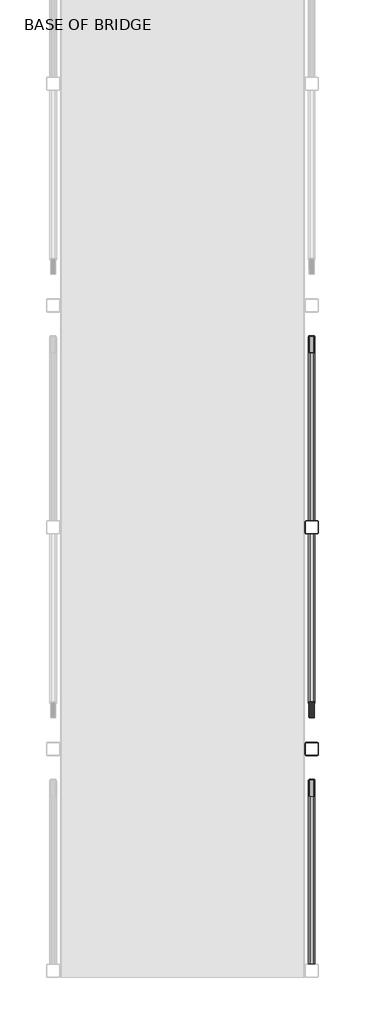
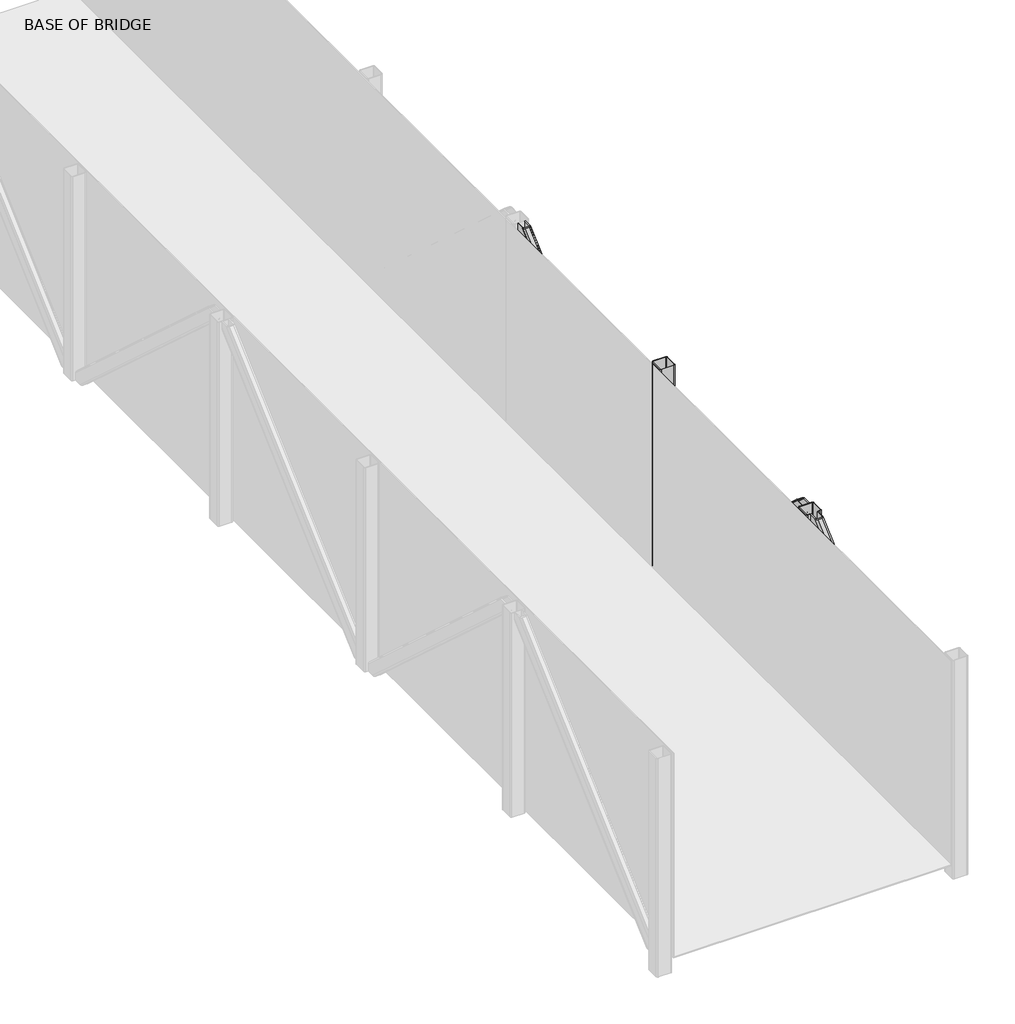
# One storey, part 5 of 8: 5 columns.
"""IFC4 building model written with IfcOpenShell, lengths in millimetres."""

from ifc_helpers import new_model, si_unit, point, frame, frame_2d, origin, place, context, project, spatial, polyline, circle_curve, ellipse_curve, trimmed, segment, composite_curve, outline, extrude, element, save
from ifc_brep_helpers import plane_surface, cylinder_surface, revolved_surface, advanced_brep

model = new_model("IFC4")

# Units and contexts
model_context = context("Model", 3, world=origin())
ifc_project = project(units=[si_unit("LENGTHUNIT", "METRE", prefix="MILLI")], contexts=[model_context])

# Site, building, storey
site = spatial("IfcSite", under=ifc_project)
building = spatial("IfcBuilding", under=site)
storey = spatial("IfcBuildingStorey", under=building, Name="BASE OF BRIDGE", Elevation=15383.0)

# Columns
placement = place(None, origin())
element("IfcColumn", 1, ObjectType="Rectangular Hollow Sections-Column : RHS100x100x5.0", at=placement, inside=storey, context=model_context, shape_type="SweptSolid", body=[
    extrude(outline(composite_curve([segment(trimmed(circle_curve(frame_2d((1015.0, 4052.4479556)), 10.0), [point((1015.0, 4062.4479556))], [point((1025.0, 4052.4479556))], False, "CARTESIAN"), True, "CONTINUOUS"), segment(polyline([(1025.0, 4052.4479556), (1025.0, 3972.4479556)]), True, "CONTINUOUS"), segment(trimmed(circle_curve(frame_2d((1015.0, 3972.4479556)), 10.0), [point((1025.0, 3972.4479556))], [point((1015.0, 3962.4479556))], False, "CARTESIAN"), True, "CONTINUOUS"), segment(polyline([(1015.0, 3962.4479556), (935.0, 3962.4479556)]), True, "CONTINUOUS"), segment(trimmed(circle_curve(frame_2d((935.0, 3972.4479556)), 10.0), [point((935.0, 3962.4479556))], [point((925.0, 3972.4479556))], False, "CARTESIAN"), True, "CONTINUOUS"), segment(polyline([(925.0, 3972.4479556), (925.0, 4052.4479556)]), True, "CONTINUOUS"), segment(trimmed(circle_curve(frame_2d((935.0, 4052.4479556)), 10.0), [point((925.0, 4052.4479556))], [point((935.0, 4062.4479556))], False, "CARTESIAN"), True, "CONTINUOUS"), segment(polyline([(935.0, 4062.4479556), (1015.0, 4062.4479556)]), True, "CONTINUOUS")], self_intersect=False), holes=[composite_curve([segment(polyline([(1015.0, 4057.4479556), (935.0, 4057.4479556)]), True, "CONTINUOUS"), segment(trimmed(circle_curve(frame_2d((935.0, 4052.4479556)), 5.0), [point((935.0, 4057.4479556))], [point((930.0, 4052.4479556))], True, "CARTESIAN"), True, "CONTINUOUS"), segment(polyline([(930.0, 4052.4479556), (930.0, 3972.4479556)]), True, "CONTINUOUS"), segment(trimmed(circle_curve(frame_2d((935.0, 3972.4479556)), 5.0), [point((930.0, 3972.4479556))], [point((935.0, 3967.4479556))], True, "CARTESIAN"), True, "CONTINUOUS"), segment(polyline([(935.0, 3967.4479556), (1015.0, 3967.4479556)]), True, "CONTINUOUS"), segment(trimmed(circle_curve(frame_2d((1015.0, 3972.4479556)), 5.0), [point((1015.0, 3967.4479556))], [point((1020.0, 3972.4479556))], True, "CARTESIAN"), True, "CONTINUOUS"), segment(polyline([(1020.0, 3972.4479556), (1020.0, 4052.4479556)]), True, "CONTINUOUS"), segment(trimmed(circle_curve(frame_2d((1015.0, 4052.4479556)), 5.0), [point((1020.0, 4052.4479556))], [point((1015.0, 4057.4479556))], True, "CARTESIAN"), True, "CONTINUOUS")], self_intersect=False)]), frame((0.0, 0.0, 15383.0), z_axis=(0.0, 0.0, 1.0), x_axis=(1.0, 0.0, 0.0)), (0.0, 0.0, 1.0), 1421.0),
])
element("IfcColumn", 2, ObjectType="Rectangular Hollow Sections-Column : RHS100x100x5.0", at=placement, inside=storey, context=model_context, shape_type="AdvancedBrep", body=[
    advanced_brep(
    [(1015.0, 2392.4479556, 15383.0), (1025.0, 2382.4479556, 15383.0), (1025.0, 2302.4479556, 15383.0), (1015.0, 2292.4479556, 15383.0), (935.0, 2292.4479556, 15383.0), (925.0, 2302.4479556, 15383.0), (925.0, 2382.4479556, 15383.0), (935.0, 2392.4479556, 15383.0), (1015.0, 2387.4479556, 15383.0), (935.0, 2387.4479556, 15383.0), (930.0, 2382.4479556, 15383.0), (930.0, 2302.4479556, 15383.0), (935.0, 2297.4479556, 15383.0), (1015.0, 2297.4479556, 15383.0), (1020.0, 2302.4479556, 15383.0), (1020.0, 2382.4479556, 15383.0), (1015.0, 2392.4479556, 16804.0), (1025.0, 2382.4479556, 16804.0), (1025.0, 2302.4479556, 16804.0), (1015.0, 2292.4479556, 16804.0), (1000.0, 2292.4479556, 16804.0), (1000.0, 2292.4479556, 16756.7928239), (990.0, 2292.4479556, 16743.3050593), (960.0, 2292.4479556, 16743.3050593), (950.0, 2292.4479556, 16756.7928239), (950.0, 2292.4479556, 16804.0), (935.0, 2292.4479556, 16804.0), (925.0, 2302.4479556, 16804.0), (925.0, 2382.4479556, 16804.0), (935.0, 2392.4479556, 16804.0), (1015.0, 2387.4479556, 16804.0), (935.0, 2387.4479556, 16804.0), (930.0, 2382.4479556, 16804.0), (930.0, 2302.4479556, 16804.0), (935.0, 2297.4479556, 16804.0), (950.0, 2297.4479556, 16804.0), (950.0, 2297.4479556, 16761.3183016), (960.0, 2297.4479556, 16747.830537), (990.0, 2297.4479556, 16747.830537), (1000.0, 2297.4479556, 16761.3183016), (1000.0, 2297.4479556, 16804.0), (1015.0, 2297.4479556, 16804.0), (1020.0, 2302.4479556, 16804.0), (1020.0, 2382.4479556, 16804.0)],
    [
        (0, 1, circle_curve(frame((1015.0, 2382.4479556, 15383.0), z_axis=(0.0, 0.0, -1.0), x_axis=(1.0, 0.0, 0.0)), 10.0)),
        (1, 2),
        (2, 3, circle_curve(frame((1015.0, 2302.4479556, 15383.0), z_axis=(0.0, 0.0, -1.0), x_axis=(1.0, 0.0, 0.0)), 10.0)),
        (3, 4),
        (4, 5, circle_curve(frame((935.0, 2302.4479556, 15383.0), z_axis=(0.0, 0.0, -1.0), x_axis=(1.0, 0.0, 0.0)), 10.0)),
        (5, 6),
        (6, 7, circle_curve(frame((935.0, 2382.4479556, 15383.0), z_axis=(0.0, 0.0, -1.0), x_axis=(1.0, 0.0, 0.0)), 10.0)),
        (7, 0),
        (8, 9),
        (9, 10, circle_curve(frame((935.0, 2382.4479556, 15383.0), z_axis=(0.0, 0.0, 1.0), x_axis=(1.0, 0.0, 0.0)), 5.0)),
        (10, 11),
        (11, 12, circle_curve(frame((935.0, 2302.4479556, 15383.0), z_axis=(0.0, 0.0, 1.0), x_axis=(1.0, 0.0, 0.0)), 5.0)),
        (12, 13),
        (13, 14, circle_curve(frame((1015.0, 2302.4479556, 15383.0), z_axis=(0.0, 0.0, 1.0), x_axis=(1.0, 0.0, 0.0)), 5.0)),
        (14, 15),
        (15, 8, circle_curve(frame((1015.0, 2382.4479556, 15383.0), z_axis=(0.0, 0.0, 1.0), x_axis=(1.0, 0.0, 0.0)), 5.0)),
        (0, 16),
        (16, 17, circle_curve(frame((1015.0, 2382.4479556, 16804.0), z_axis=(0.0, 0.0, -1.0), x_axis=(1.0, 0.0, 0.0)), 10.0)),
        (17, 1),
        (17, 18),
        (18, 2),
        (18, 19, circle_curve(frame((1015.0, 2302.4479556, 16804.0), z_axis=(0.0, 0.0, -1.0), x_axis=(1.0, 0.0, 0.0)), 10.0)),
        (19, 3),
        (19, 20),
        (20, 21),
        (21, 22, ellipse_curve(frame((990.0, 2292.4479556, 16756.7928239), z_axis=(0.0, 1.0, 0.0), x_axis=(-4.16305638800616e-12, 0.0, -1.0)), 13.4877646, 10.0)),
        (22, 23),
        (23, 24, ellipse_curve(frame((960.0, 2292.4479556, 16756.7928239), z_axis=(0.0, 1.0, 0.0), x_axis=(-4.16305638800616e-12, 0.0, -1.0)), 13.4877646, 10.0)),
        (24, 25),
        (25, 26),
        (26, 4),
        (26, 27, circle_curve(frame((935.0, 2302.4479556, 16804.0), z_axis=(0.0, 0.0, -1.0), x_axis=(1.0, 0.0, 0.0)), 10.0)),
        (27, 5),
        (27, 28),
        (28, 6),
        (28, 29, circle_curve(frame((935.0, 2382.4479556, 16804.0), z_axis=(0.0, 0.0, -1.0), x_axis=(1.0, 0.0, 0.0)), 10.0)),
        (29, 7),
        (29, 16),
        (8, 30),
        (30, 31),
        (31, 9),
        (31, 32, circle_curve(frame((935.0, 2382.4479556, 16804.0), z_axis=(0.0, 0.0, 1.0), x_axis=(1.0, 0.0, 0.0)), 5.0)),
        (32, 10),
        (32, 33),
        (33, 11),
        (33, 34, circle_curve(frame((935.0, 2302.4479556, 16804.0), z_axis=(0.0, 0.0, 1.0), x_axis=(1.0, 0.0, 0.0)), 5.0)),
        (34, 12),
        (34, 35),
        (35, 36),
        (36, 37, ellipse_curve(frame((960.0, 2297.4479556, 16761.3183016), z_axis=(0.0, -1.0, 0.0), x_axis=(-4.163173225111481e-12, 0.0, -1.0)), 13.4877646, 10.0)),
        (37, 38),
        (38, 39, ellipse_curve(frame((990.0, 2297.4479556, 16761.3183016), z_axis=(0.0, -1.0, 0.0), x_axis=(-4.163173225111481e-12, 0.0, -1.0)), 13.4877646, 10.0)),
        (39, 40),
        (40, 41),
        (41, 13),
        (41, 42, circle_curve(frame((1015.0, 2302.4479556, 16804.0), z_axis=(0.0, 0.0, 1.0), x_axis=(1.0, 0.0, 0.0)), 5.0)),
        (42, 14),
        (42, 43),
        (43, 15),
        (43, 30, circle_curve(frame((1015.0, 2382.4479556, 16804.0), z_axis=(0.0, 0.0, 1.0), x_axis=(1.0, 0.0, 0.0)), 5.0)),
        (25, 35),
        (40, 20),
        (24, 36),
        (23, 37),
        (22, 38),
        (21, 39),
    ],
    [
        plane_surface(frame((935.0, 2392.4479556, 15383.0), z_axis=(0.0, 0.0, -1.0), x_axis=(1.0, 0.0, 0.0))),
        cylinder_surface(frame((1015.0, 2382.4479556, 15383.0), z_axis=(0.0, 0.0, 1.0), x_axis=(1.0, 0.0, 0.0)), 10.0),
        plane_surface(frame((1025.0, 2302.4479556, 16804.0), z_axis=(1.0, 0.0, 0.0), x_axis=(0.0, 0.0, -1.0))),
        cylinder_surface(frame((1015.0, 2302.4479556, 15383.0), z_axis=(0.0, 0.0, 1.0), x_axis=(1.0, 0.0, 0.0)), 10.0),
        plane_surface(frame((935.0, 2292.4479556, 16804.0), z_axis=(0.0, -1.0, 0.0), x_axis=(0.0, 0.0, -1.0))),
        cylinder_surface(frame((935.0, 2302.4479556, 15383.0), z_axis=(0.0, 0.0, 1.0), x_axis=(1.0, 0.0, 0.0)), 10.0),
        plane_surface(frame((925.0, 2382.4479556, 16804.0), z_axis=(-1.0, 0.0, 0.0), x_axis=(0.0, 0.0, -1.0))),
        cylinder_surface(frame((935.0, 2382.4479556, 15383.0), z_axis=(0.0, 0.0, 1.0), x_axis=(1.0, 0.0, 0.0)), 10.0),
        plane_surface(frame((1015.0, 2392.4479556, 16804.0), z_axis=(0.0, 1.0, 0.0), x_axis=(0.0, 0.0, -1.0))),
        plane_surface(frame((935.0, 2387.4479556, 16804.0), z_axis=(0.0, -1.0, 0.0), x_axis=(0.0, 0.0, -1.0))),
        revolved_surface(polyline([(940.0, 2382.4479556, 15383.0), (940.0, 2382.4479556, 16804.0)]), (935.0, 2382.4479556, 15383.0), (0.0, 0.0, -1.0)),
        plane_surface(frame((930.0, 2302.4479556, 16804.0), z_axis=(1.0, 0.0, 0.0), x_axis=(0.0, 0.0, -1.0))),
        revolved_surface(polyline([(940.0, 2302.4479556, 15383.0), (940.0, 2302.4479556, 16804.0)]), (935.0, 2302.4479556, 15383.0), (0.0, 0.0, -1.0)),
        plane_surface(frame((1015.0, 2297.4479556, 16804.0), z_axis=(0.0, 1.0, 0.0), x_axis=(0.0, 0.0, -1.0))),
        revolved_surface(polyline([(1020.0, 2302.4479556, 15383.0), (1020.0, 2302.4479556, 16804.0)]), (1015.0, 2302.4479556, 15383.0), (0.0, 0.0, -1.0)),
        plane_surface(frame((1020.0, 2382.4479556, 16804.0), z_axis=(-1.0, 0.0, 0.0), x_axis=(0.0, 0.0, -1.0))),
        revolved_surface(polyline([(1020.0, 2382.4479556, 15383.0), (1020.0, 2382.4479556, 16804.0)]), (1015.0, 2382.4479556, 15383.0), (0.0, 0.0, -1.0)),
        plane_surface(frame((935.0, 2392.4479556, 16804.0), z_axis=(0.0, 0.0, 1.0), x_axis=(-1.0, 0.0, 0.0))),
        plane_surface(frame((950.0, 585.2093689, 15305.9931432), z_axis=(1.0, -3.7737177602529684e-12, 0.0), x_axis=(2.7936715881916727e-12, 0.7414127022916974, 0.6710493311825315))),
        revolved_surface(polyline([(950.0000000028441, 2285.737462302029, 16750.71918630765), (950.0000000029135, 2304.158448922141, 16767.391939165725)]), (960.0, 1530.9346822, 16067.5505554), (-2.7936162048467107e-12, -0.7414127022916945, -0.6710493311825344)),
        plane_surface(frame((960.0, 638.8933154, 15246.680127), z_axis=(-2.5251339884918886e-12, -0.6710493311825316, 0.7414127022916973), x_axis=(2.7936715881916727e-12, 0.7414127022916973, 0.6710493311825316))),
        revolved_surface(polyline([(980.0000000028441, 2285.737462302029, 16750.71918630765), (980.0000000029135, 2304.158448922141, 16767.391939165725)]), (990.0, 1530.9346822, 16067.5505554), (-2.7936162048467107e-12, -0.7414127022916945, -0.6710493311825344)),
        plane_surface(frame((1000.0, 632.1828221, 15254.094254), z_axis=(-1.0, 3.772420157997785e-12, 0.0), x_axis=(2.7936715881916723e-12, 0.7414127022916974, 0.6710493311825315))),
    ],
    [
        (0, [[1, 2, 3, 4, 5, 6, 7, 8], [9, 10, 11, 12, 13, 14, 15, 16]]),
        (1, [[-1, 17, 18, 19]]),
        (2, [[-2, -19, 20, 21]]),
        (3, [[-3, -21, 22, 23]]),
        (4, [[-4, -23, 24, 25, 26, 27, 28, 29, 30, 31]]),
        (5, [[-5, -31, 32, 33]]),
        (6, [[-6, -33, 34, 35]]),
        (7, [[-7, -35, 36, 37]]),
        (8, [[-8, -37, 38, -17]]),
        (9, [[-9, 39, 40, 41]]),
        (10, [[-10, -41, 42, 43]]),
        (11, [[-11, -43, 44, 45]]),
        (12, [[-12, -45, 46, 47]]),
        (13, [[-13, -47, 48, 49, 50, 51, 52, 53, 54, 55]]),
        (14, [[-14, -55, 56, 57]]),
        (15, [[-15, -57, 58, 59]]),
        (16, [[-16, -59, 60, -39]]),
        (17, [[-18, -38, -36, -34, -32, -30, 61, -48, -46, -44, -42, -40, -60, -58, -56, -54, 62, -24, -22, -20]]),
        (18, [[63, -49, -61, -29]]),
        (19, [[-63, -28, 64, -50]]),
        (20, [[-64, -27, 65, -51]]),
        (21, [[-65, -26, 66, -52]]),
        (22, [[-66, -25, -62, -53]]),
    ],
),
])
element("IfcColumn", 3, ObjectType="Rectangular Hollow Sections-Column : RHS90x50x5.0", at=placement, inside=storey, context=model_context, shape_type="AdvancedBrep", body=[
    advanced_brep(
    [(1000.0, 3910.2908364, 15383.0), (990.0, 3895.3888023, 15383.0), (960.0, 3895.3888023, 15383.0), (950.0, 3910.2908364, 15383.0), (950.0, 3962.4479556, 15383.0), (955.0, 3962.4479556, 15383.0), (955.0, 3910.2908364, 15383.0), (960.0, 3902.8398193, 15383.0), (990.0, 3902.8398193, 15383.0), (995.0, 3910.2908364, 15383.0), (995.0, 3962.4479556, 15383.0), (1000.0, 3962.4479556, 15383.0), (1000.0, 2444.6050749, 16804.0), (990.0, 2459.507109, 16804.0), (960.0, 2459.507109, 16804.0), (950.0, 2444.6050749, 16804.0), (950.0, 2392.4479556, 16804.0), (955.0, 2392.4479556, 16804.0), (955.0, 2444.6050749, 16804.0), (960.0, 2452.0560919, 16804.0), (990.0, 2452.0560919, 16804.0), (995.0, 2444.6050749, 16804.0), (995.0, 2392.4479556, 16804.0), (1000.0, 2392.4479556, 16804.0), (1000.0, 3962.4479556, 15430.2071761), (990.0, 3962.4479556, 15443.6949407), (1000.0, 2392.4479556, 16756.7928239), (990.0, 2392.4479556, 16743.3050593), (960.0, 2392.4479556, 16743.3050593), (950.0, 2392.4479556, 16756.7928239), (950.0, 3962.4479556, 15430.2071761), (960.0, 3962.4479556, 15443.6949407), (960.0, 3962.4479556, 15436.9510584), (990.0, 3962.4479556, 15436.9510584), (955.0, 3962.4479556, 15430.2071761), (955.0, 2392.4479556, 16756.7928239), (960.0, 2392.4479556, 16750.0489416), (990.0, 2392.4479556, 16750.0489416), (995.0, 2392.4479556, 16756.7928239), (995.0, 3962.4479556, 15430.2071761)],
    [
        (0, 1, ellipse_curve(frame((990.0, 3910.2908364, 15383.0), z_axis=(0.0, 0.0, -1.0), x_axis=(3.772274552175083e-12, -1.0, 0.0)), 14.9020341, 10.0)),
        (1, 2),
        (2, 3, ellipse_curve(frame((960.0, 3910.2908364, 15383.0), z_axis=(0.0, 0.0, -1.0), x_axis=(3.772274552175083e-12, -1.0, 0.0)), 14.9020341, 10.0)),
        (3, 4),
        (4, 5),
        (5, 6),
        (6, 7, ellipse_curve(frame((960.0, 3910.2908364, 15383.0), z_axis=(0.0, 0.0, 1.0), x_axis=(-3.772274552175083e-12, 1.0, 0.0)), 7.451017, 5.0)),
        (7, 8),
        (8, 9, ellipse_curve(frame((990.0, 3910.2908364, 15383.0), z_axis=(0.0, 0.0, 1.0), x_axis=(-3.772274552175083e-12, 1.0, 0.0)), 7.451017, 5.0)),
        (9, 10),
        (10, 11),
        (11, 0),
        (12, 13, ellipse_curve(frame((990.0, 2444.6050749, 16804.0), z_axis=(0.0, 0.0, 1.0), x_axis=(3.772274552175083e-12, -1.0, 0.0)), 14.9020341, 10.0)),
        (13, 14),
        (14, 15, ellipse_curve(frame((960.0, 2444.6050749, 16804.0), z_axis=(0.0, 0.0, 1.0), x_axis=(3.772274552175083e-12, -1.0, 0.0)), 14.9020341, 10.0)),
        (15, 16),
        (16, 17),
        (17, 18),
        (18, 19, ellipse_curve(frame((960.0, 2444.6050749, 16804.0), z_axis=(0.0, 0.0, -1.0), x_axis=(-3.772274552175083e-12, 1.0, 0.0)), 7.451017, 5.0)),
        (19, 20),
        (20, 21, ellipse_curve(frame((990.0, 2444.6050749, 16804.0), z_axis=(0.0, 0.0, -1.0), x_axis=(-3.772274552175083e-12, 1.0, 0.0)), 7.451017, 5.0)),
        (21, 22),
        (22, 23),
        (23, 12),
        (12, 24),
        (24, 25, ellipse_curve(frame((990.0, 3962.4479556, 15430.2071761), z_axis=(0.0, -1.0, 0.0), x_axis=(4.167819174465103e-12, 0.0, 1.0)), 13.4877646, 10.0)),
        (25, 13),
        (23, 26),
        (26, 0),
        (11, 24),
        (26, 27, ellipse_curve(frame((990.0, 2392.4479556, 16756.7928239), z_axis=(0.0, 1.0, 0.0), x_axis=(4.171557961835349e-12, 0.0, 1.0)), 13.4877646, 10.0)),
        (27, 1),
        (27, 28),
        (28, 2),
        (28, 29, ellipse_curve(frame((960.0, 2392.4479556, 16756.7928239), z_axis=(0.0, 1.0, 0.0), x_axis=(4.171557961835349e-12, 0.0, 1.0)), 13.4877646, 10.0)),
        (29, 3),
        (15, 30),
        (30, 4),
        (29, 16),
        (14, 31),
        (31, 30, ellipse_curve(frame((960.0, 3962.4479556, 15430.2071761), z_axis=(0.0, -1.0, 0.0), x_axis=(4.167819174465103e-12, 0.0, 1.0)), 13.4877646, 10.0)),
        (25, 31),
        (19, 32),
        (32, 33),
        (33, 20),
        (18, 34),
        (34, 32, ellipse_curve(frame((960.0, 3962.4479556, 15430.2071761), z_axis=(0.0, 1.0, 0.0), x_axis=(-4.167819174465103e-12, 0.0, -1.0)), 6.7438823, 5.0)),
        (17, 35),
        (35, 6),
        (5, 34),
        (35, 36, ellipse_curve(frame((960.0, 2392.4479556, 16756.7928239), z_axis=(0.0, -1.0, 0.0), x_axis=(-4.171557961835349e-12, 0.0, -1.0)), 6.7438823, 5.0)),
        (36, 7),
        (36, 37),
        (37, 8),
        (37, 38, ellipse_curve(frame((990.0, 2392.4479556, 16756.7928239), z_axis=(0.0, -1.0, 0.0), x_axis=(-4.171557961835349e-12, 0.0, -1.0)), 6.7438823, 5.0)),
        (38, 9),
        (21, 39),
        (39, 10),
        (38, 22),
        (33, 39, ellipse_curve(frame((990.0, 3962.4479556, 15430.2071761), z_axis=(0.0, 1.0, 0.0), x_axis=(-4.167819174465103e-12, 0.0, -1.0)), 6.7438823, 5.0)),
    ],
    [
        plane_surface(frame((975.0, 3962.4479556, 15383.0), z_axis=(0.0, 0.0, -1.0), x_axis=(1.0, 0.0, 0.0))),
        plane_surface(frame((975.0, 2392.4479556, 16804.0), z_axis=(0.0, 0.0, 1.0), x_axis=(-1.0, 0.0, 0.0))),
        cylinder_surface(frame((990.0, 4099.6865423, 15305.9931432), z_axis=(2.7968122695144243e-12, -0.7414127022917221, 0.6710493311825043), x_axis=(1.0, 3.7722745521750826e-12, 0.0)), 10.0),
        plane_surface(frame((1000.0, 2255.2093689, 16881.0068568), z_axis=(1.0000000000000002, 3.772274552175083e-12, 0.0), x_axis=(-2.7968122695144243e-12, 0.7414127022917221, -0.6710493311825043))),
        cylinder_surface(frame((990.0, 4052.7130892, 15254.094254), z_axis=(2.7968122695144243e-12, -0.7414127022917221, 0.6710493311825043), x_axis=(1.0, 3.7722745521750826e-12, 0.0)), 10.0),
        plane_surface(frame((960.0, 2248.4988756, 16873.5927298), z_axis=(2.5313823152738696e-12, -0.6710493311825043, -0.7414127022917221), x_axis=(-2.7968122695144243e-12, 0.7414127022917221, -0.6710493311825043))),
        cylinder_surface(frame((960.0, 4052.7130892, 15254.094254), z_axis=(2.7968122695144243e-12, -0.7414127022917221, 0.6710493311825043), x_axis=(1.0, 3.7722745521750826e-12, 0.0)), 10.0),
        plane_surface(frame((950.0, 2302.1828221, 16932.905746), z_axis=(-1.0000000000000002, -3.772274552175083e-12, 0.0), x_axis=(-2.7968122695144243e-12, 0.7414127022917221, -0.6710493311825043))),
        cylinder_surface(frame((960.0, 4099.6865423, 15305.9931432), z_axis=(2.7968122695144243e-12, -0.7414127022917221, 0.6710493311825043), x_axis=(1.0, 3.7722745521750826e-12, 0.0)), 10.0),
        plane_surface(frame((990.0, 2308.8933154, 16940.319873), z_axis=(-2.5313823152738696e-12, 0.6710493311825043, 0.7414127022917221), x_axis=(-2.7968122695144243e-12, 0.7414127022917221, -0.6710493311825043))),
        plane_surface(frame((960.0, 2305.5380688, 16936.6128095), z_axis=(2.5313823152738696e-12, -0.6710493311825043, -0.7414127022917221), x_axis=(-2.7968122695144243e-12, 0.7414127022917221, -0.6710493311825043))),
        revolved_surface(polyline([(965.000000000505, 3965.8032022710336, 15427.170357328145), (965.0000000062589, 2440.509304538612, 16807.707063492322)]), (960.0, 4099.6865423, 15305.9931432), (-2.7968122695144243e-12, 0.7414127022917221, -0.6710493311825043)),
        plane_surface(frame((955.0, 2255.2093689, 16881.0068568), z_axis=(1.0000000000000002, 3.772274552175083e-12, 0.0), x_axis=(-2.7968122695144243e-12, 0.7414127022917221, -0.6710493311825043))),
        revolved_surface(polyline([(965.0000000005218, 3914.3866067640197, 15379.292936510543), (965.0000000062756, 2389.092708976629, 16759.829642724475)]), (960.0, 4052.7130892, 15254.094254), (-2.7968122695144243e-12, 0.7414127022917221, -0.6710493311825043)),
        plane_surface(frame((990.0, 2251.8541223, 16877.2997933), z_axis=(-2.5313823152738696e-12, 0.6710493311825043, 0.7414127022917221), x_axis=(-2.7968122695144243e-12, 0.7414127022917221, -0.6710493311825043))),
        revolved_surface(polyline([(995.0000000005218, 3914.3866067640197, 15379.292936510543), (995.0000000062756, 2389.092708976629, 16759.829642724475)]), (990.0, 4052.7130892, 15254.094254), (-2.7968122695144243e-12, 0.7414127022917221, -0.6710493311825043)),
        plane_surface(frame((995.0, 2302.1828221, 16932.905746), z_axis=(-1.0000000000000002, -3.772274552175083e-12, 0.0), x_axis=(-2.7968122695144243e-12, 0.7414127022917221, -0.6710493311825043))),
        revolved_surface(polyline([(995.000000000505, 3965.8032022710336, 15427.170357328145), (995.0000000062589, 2440.509304538612, 16807.707063492322)]), (990.0, 4099.6865423, 15305.9931432), (-2.7968122695144243e-12, 0.7414127022917221, -0.6710493311825043)),
        plane_surface(frame((935.0, 2392.4479556, 15383.0), z_axis=(0.0, -1.0, 0.0), x_axis=(0.0, 0.0, 1.0))),
        plane_surface(frame((1015.0, 3962.4479556, 15383.0), z_axis=(0.0, 1.0, 0.0), x_axis=(0.0, 0.0, 1.0))),
    ],
    [
        (0, [[1, 2, 3, 4, 5, 6, 7, 8, 9, 10, 11, 12]]),
        (1, [[13, 14, 15, 16, 17, 18, 19, 20, 21, 22, 23, 24]]),
        (2, [[-13, 25, 26, 27]]),
        (3, [[-24, 28, 29, -12, 30, -25]]),
        (4, [[-1, -29, 31, 32]]),
        (5, [[-2, -32, 33, 34]]),
        (6, [[-3, -34, 35, 36]]),
        (7, [[-16, 37, 38, -4, -36, 39]]),
        (8, [[-15, 40, 41, -37]]),
        (9, [[-14, -27, 42, -40]]),
        (10, [[-20, 43, 44, 45]]),
        (11, [[-19, 46, 47, -43]]),
        (12, [[-18, 48, 49, -6, 50, -46]]),
        (13, [[-7, -49, 51, 52]]),
        (14, [[-8, -52, 53, 54]]),
        (15, [[-9, -54, 55, 56]]),
        (16, [[-22, 57, 58, -10, -56, 59]]),
        (17, [[-21, -45, 60, -57]]),
        (18, [[-17, -39, -35, -33, -31, -28, -23, -59, -55, -53, -51, -48]]),
        (19, [[-11, -58, -60, -44, -47, -50, -5, -38, -41, -42, -26, -30]]),
    ],
),
])
element("IfcColumn", 4, ObjectType="Rectangular Hollow Sections-Column : RHS90x50x5.0", at=placement, inside=storey, context=model_context, shape_type="AdvancedBrep", body=[
    advanced_brep(
    [(950.0, 4114.6050749, 15383.0), (960.0, 4129.507109, 15383.0), (990.0, 4129.507109, 15383.0), (1000.0, 4114.6050749, 15383.0), (1000.0, 4062.4479556, 15383.0), (995.0, 4062.4479556, 15383.0), (995.0, 4114.6050749, 15383.0), (990.0, 4122.0560919, 15383.0), (960.0, 4122.0560919, 15383.0), (955.0, 4114.6050749, 15383.0), (955.0, 4062.4479556, 15383.0), (950.0, 4062.4479556, 15383.0), (950.0, 5580.2908364, 16804.0), (960.0, 5565.3888023, 16804.0), (990.0, 5565.3888023, 16804.0), (1000.0, 5580.2908364, 16804.0), (1000.0, 5632.4479556, 16804.0), (995.0, 5632.4479556, 16804.0), (995.0, 5580.2908364, 16804.0), (990.0, 5572.8398193, 16804.0), (960.0, 5572.8398193, 16804.0), (955.0, 5580.2908364, 16804.0), (955.0, 5632.4479556, 16804.0), (950.0, 5632.4479556, 16804.0), (950.0, 4062.4479556, 15430.2071761), (960.0, 4062.4479556, 15443.6949407), (950.0, 5632.4479556, 16756.7928239), (960.0, 5632.4479556, 16743.3050593), (990.0, 5632.4479556, 16743.3050593), (1000.0, 5632.4479556, 16756.7928239), (1000.0, 4062.4479556, 15430.2071761), (990.0, 4062.4479556, 15443.6949407), (990.0, 4062.4479556, 15436.9510584), (960.0, 4062.4479556, 15436.9510584), (995.0, 4062.4479556, 15430.2071761), (995.0, 5632.4479556, 16756.7928239), (990.0, 5632.4479556, 16750.0489416), (960.0, 5632.4479556, 16750.0489416), (955.0, 5632.4479556, 16756.7928239), (955.0, 4062.4479556, 15430.2071761)],
    [
        (0, 1, ellipse_curve(frame((960.0, 4114.6050749, 15383.0), z_axis=(0.0, 0.0, -1.0), x_axis=(3.769084577351514e-12, 1.0, 0.0)), 14.9020341, 10.0)),
        (1, 2),
        (2, 3, ellipse_curve(frame((990.0, 4114.6050749, 15383.0), z_axis=(0.0, 0.0, -1.0), x_axis=(3.769084577351514e-12, 1.0, 0.0)), 14.9020341, 10.0)),
        (3, 4),
        (4, 5),
        (5, 6),
        (6, 7, ellipse_curve(frame((990.0, 4114.6050749, 15383.0), z_axis=(0.0, 0.0, 1.0), x_axis=(-3.769084577351514e-12, -1.0, 0.0)), 7.451017, 5.0)),
        (7, 8),
        (8, 9, ellipse_curve(frame((960.0, 4114.6050749, 15383.0), z_axis=(0.0, 0.0, 1.0), x_axis=(-3.769084577351514e-12, -1.0, 0.0)), 7.451017, 5.0)),
        (9, 10),
        (10, 11),
        (11, 0),
        (12, 13, ellipse_curve(frame((960.0, 5580.2908364, 16804.0), z_axis=(0.0, 0.0, 1.0), x_axis=(3.769084577351514e-12, 1.0, 0.0)), 14.9020341, 10.0)),
        (13, 14),
        (14, 15, ellipse_curve(frame((990.0, 5580.2908364, 16804.0), z_axis=(0.0, 0.0, 1.0), x_axis=(3.769084577351514e-12, 1.0, 0.0)), 14.9020341, 10.0)),
        (15, 16),
        (16, 17),
        (17, 18),
        (18, 19, ellipse_curve(frame((990.0, 5580.2908364, 16804.0), z_axis=(0.0, 0.0, -1.0), x_axis=(-3.769084577351514e-12, -1.0, 0.0)), 7.451017, 5.0)),
        (19, 20),
        (20, 21, ellipse_curve(frame((960.0, 5580.2908364, 16804.0), z_axis=(0.0, 0.0, -1.0), x_axis=(-3.769084577351514e-12, -1.0, 0.0)), 7.451017, 5.0)),
        (21, 22),
        (22, 23),
        (23, 12),
        (12, 24),
        (24, 25, ellipse_curve(frame((960.0, 4062.4479556, 15430.2071761), z_axis=(0.0, 1.0, 0.0), x_axis=(4.164294712485508e-12, 0.0, 1.0)), 13.4877646, 10.0)),
        (25, 13),
        (11, 24),
        (23, 26),
        (26, 0),
        (26, 27, ellipse_curve(frame((960.0, 5632.4479556, 16756.7928239), z_axis=(0.0, -1.0, 0.0), x_axis=(4.149339563004521e-12, 0.0, 1.0)), 13.4877646, 10.0)),
        (27, 1),
        (27, 28),
        (28, 2),
        (28, 29, ellipse_curve(frame((990.0, 5632.4479556, 16756.7928239), z_axis=(0.0, -1.0, 0.0), x_axis=(4.149339563004521e-12, 0.0, 1.0)), 13.4877646, 10.0)),
        (29, 3),
        (29, 16),
        (15, 30),
        (30, 4),
        (14, 31),
        (31, 30, ellipse_curve(frame((990.0, 4062.4479556, 15430.2071761), z_axis=(0.0, 1.0, 0.0), x_axis=(4.164294712485508e-12, 0.0, 1.0)), 13.4877646, 10.0)),
        (25, 31),
        (19, 32),
        (32, 33),
        (33, 20),
        (18, 34),
        (34, 32, ellipse_curve(frame((990.0, 4062.4479556, 15430.2071761), z_axis=(0.0, -1.0, 0.0), x_axis=(-4.164294712485508e-12, 0.0, -1.0)), 6.7438823, 5.0)),
        (5, 34),
        (17, 35),
        (35, 6),
        (35, 36, ellipse_curve(frame((990.0, 5632.4479556, 16756.7928239), z_axis=(0.0, 1.0, 0.0), x_axis=(-4.149339563004521e-12, 0.0, -1.0)), 6.7438823, 5.0)),
        (36, 7),
        (36, 37),
        (37, 8),
        (37, 38, ellipse_curve(frame((960.0, 5632.4479556, 16756.7928239), z_axis=(0.0, 1.0, 0.0), x_axis=(-4.149339563004521e-12, 0.0, -1.0)), 6.7438823, 5.0)),
        (38, 9),
        (38, 22),
        (21, 39),
        (39, 10),
        (33, 39, ellipse_curve(frame((960.0, 4062.4479556, 15430.2071761), z_axis=(0.0, -1.0, 0.0), x_axis=(-4.164294712485508e-12, 0.0, -1.0)), 6.7438823, 5.0)),
    ],
    [
        plane_surface(frame((975.0, 4062.4479556, 15383.0), z_axis=(0.0, 0.0, -1.0), x_axis=(1.0, 0.0, 0.0))),
        plane_surface(frame((975.0, 5632.4479556, 16804.0), z_axis=(0.0, 0.0, 1.0), x_axis=(-1.0, 0.0, 0.0))),
        cylinder_surface(frame((960.0, 3925.2093689, 15305.9931432), z_axis=(2.794447181660239e-12, 0.7414127022917221, 0.6710493311825043), x_axis=(-1.0, 3.7690051618302026e-12, 0.0)), 10.0),
        plane_surface(frame((950.0, 5769.6865423, 16881.0068568), z_axis=(-1.0000000000000002, 3.7690051618302026e-12, 0.0), x_axis=(-2.794447181660239e-12, -0.7414127022917221, -0.6710493311825043))),
        cylinder_surface(frame((960.0, 3972.1828221, 15254.094254), z_axis=(2.794447181660239e-12, 0.7414127022917221, 0.6710493311825043), x_axis=(-1.0, 3.7690051618302026e-12, 0.0)), 10.0),
        plane_surface(frame((990.0, 5776.3970356, 16873.5927298), z_axis=(2.52912333952155e-12, 0.6710493311825043, -0.7414127022917221), x_axis=(-2.794447181660239e-12, -0.7414127022917221, -0.6710493311825043))),
        cylinder_surface(frame((990.0, 3972.1828221, 15254.094254), z_axis=(2.794447181660239e-12, 0.7414127022917221, 0.6710493311825043), x_axis=(-1.0, 3.7690051618302026e-12, 0.0)), 10.0),
        plane_surface(frame((1000.0, 5722.7130892, 16932.905746), z_axis=(1.0000000000000002, -3.7690051618302026e-12, 0.0), x_axis=(-2.794447181660239e-12, -0.7414127022917221, -0.6710493311825043))),
        cylinder_surface(frame((990.0, 3925.2093689, 15305.9931432), z_axis=(2.794447181660239e-12, 0.7414127022917221, 0.6710493311825043), x_axis=(-1.0, 3.7690051618302026e-12, 0.0)), 10.0),
        plane_surface(frame((960.0, 5716.0025958, 16940.319873), z_axis=(-2.52912333952155e-12, -0.6710493311825043, 0.7414127022917221), x_axis=(-2.794447181660239e-12, -0.7414127022917221, -0.6710493311825043))),
        plane_surface(frame((990.0, 5719.3578425, 16936.6128095), z_axis=(2.52912333952155e-12, 0.6710493311825043, -0.7414127022917221), x_axis=(-2.794447181660239e-12, -0.7414127022917221, -0.6710493311825043))),
        revolved_surface(polyline([(985.0000000005047, 4059.0927089290044, 15427.170357328145), (985.0000000062536, 5584.386606716395, 16807.707063542075)]), (990.0, 3925.2093689, 15305.9931432), (-2.794447181660239e-12, -0.7414127022917221, -0.6710493311825043)),
        plane_surface(frame((995.0, 5769.6865423, 16881.0068568), z_axis=(-1.0000000000000002, 3.7690051618302026e-12, 0.0), x_axis=(-2.794447181660239e-12, -0.7414127022917221, -0.6710493311825043))),
        revolved_surface(polyline([(985.0000000005214, 4110.509304536017, 15379.292936510543), (985.0000000062703, 5635.803202268439, 16759.829642674722)]), (990.0, 3972.1828221, 15254.094254), (-2.794447181660239e-12, -0.7414127022917221, -0.6710493311825043)),
        plane_surface(frame((960.0, 5773.041789, 16877.2997933), z_axis=(-2.52912333952155e-12, -0.6710493311825043, 0.7414127022917221), x_axis=(-2.794447181660239e-12, -0.7414127022917221, -0.6710493311825043))),
        revolved_surface(polyline([(955.0000000005214, 4110.509304536017, 15379.292936510543), (955.0000000062703, 5635.803202268439, 16759.829642674722)]), (960.0, 3972.1828221, 15254.094254), (-2.794447181660239e-12, -0.7414127022917221, -0.6710493311825043)),
        plane_surface(frame((955.0, 5722.7130892, 16932.905746), z_axis=(1.0000000000000002, -3.7690051618302026e-12, 0.0), x_axis=(-2.794447181660239e-12, -0.7414127022917221, -0.6710493311825043))),
        revolved_surface(polyline([(955.0000000005047, 4059.0927089290044, 15427.170357328145), (955.0000000062536, 5584.386606716395, 16807.707063542075)]), (960.0, 3925.2093689, 15305.9931432), (-2.794447181660239e-12, -0.7414127022917221, -0.6710493311825043)),
        plane_surface(frame((935.0, 4062.4479556, 15383.0), z_axis=(0.0, -1.0, 0.0), x_axis=(0.0, 0.0, 1.0))),
        plane_surface(frame((1015.0, 5632.4479556, 15383.0), z_axis=(0.0, 1.0, 0.0), x_axis=(0.0, 0.0, 1.0))),
    ],
    [
        (0, [[1, 2, 3, 4, 5, 6, 7, 8, 9, 10, 11, 12]]),
        (1, [[13, 14, 15, 16, 17, 18, 19, 20, 21, 22, 23, 24]]),
        (2, [[-13, 25, 26, 27]]),
        (3, [[-12, 28, -25, -24, 29, 30]]),
        (4, [[-1, -30, 31, 32]]),
        (5, [[-2, -32, 33, 34]]),
        (6, [[-3, -34, 35, 36]]),
        (7, [[-4, -36, 37, -16, 38, 39]]),
        (8, [[-15, 40, 41, -38]]),
        (9, [[-14, -27, 42, -40]]),
        (10, [[-20, 43, 44, 45]]),
        (11, [[-19, 46, 47, -43]]),
        (12, [[-6, 48, -46, -18, 49, 50]]),
        (13, [[-7, -50, 51, 52]]),
        (14, [[-8, -52, 53, 54]]),
        (15, [[-9, -54, 55, 56]]),
        (16, [[-10, -56, 57, -22, 58, 59]]),
        (17, [[-21, -45, 60, -58]]),
        (18, [[-11, -59, -60, -44, -47, -48, -5, -39, -41, -42, -26, -28]]),
        (19, [[-17, -37, -35, -33, -31, -29, -23, -57, -55, -53, -51, -49]]),
    ],
),
])
element("IfcColumn", 5, ObjectType="Rectangular Hollow Sections-Column : RHS90x50x5.0", at=placement, inside=storey, context=model_context, shape_type="AdvancedBrep", body=[
    advanced_brep(
    [(950.0, 774.6050749, 15383.0), (960.0, 789.507109, 15383.0), (990.0, 789.507109, 15383.0), (1000.0, 774.6050749, 15383.0), (1000.0, 722.4479556, 15383.0), (995.0, 722.4479556, 15383.0), (995.0, 774.6050749, 15383.0), (990.0, 782.0560919, 15383.0), (960.0, 782.0560919, 15383.0), (955.0, 774.6050749, 15383.0), (955.0, 722.4479556, 15383.0), (950.0, 722.4479556, 15383.0), (950.0, 2240.2908364, 16804.0), (960.0, 2225.3888023, 16804.0), (990.0, 2225.3888023, 16804.0), (1000.0, 2240.2908364, 16804.0), (1000.0, 2292.4479556, 16804.0), (995.0, 2292.4479556, 16804.0), (995.0, 2240.2908364, 16804.0), (990.0, 2232.8398193, 16804.0), (960.0, 2232.8398193, 16804.0), (955.0, 2240.2908364, 16804.0), (955.0, 2292.4479556, 16804.0), (950.0, 2292.4479556, 16804.0), (950.0, 722.4479556, 15430.2071761), (960.0, 722.4479556, 15443.6949407), (950.0, 2292.4479556, 16756.7928239), (960.0, 2292.4479556, 16743.3050593), (990.0, 2292.4479556, 16743.3050593), (1000.0, 2292.4479556, 16756.7928239), (1000.0, 722.4479556, 15430.2071761), (990.0, 722.4479556, 15443.6949407), (990.0, 722.4479556, 15436.9510584), (960.0, 722.4479556, 15436.9510584), (995.0, 722.4479556, 15430.2071761), (995.0, 2292.4479556, 16756.7928239), (990.0, 2292.4479556, 16750.0489416), (960.0, 2292.4479556, 16750.0489416), (955.0, 2292.4479556, 16756.7928239), (955.0, 722.4479556, 15430.2071761)],
    [
        (0, 1, ellipse_curve(frame((960.0, 774.6050749, 15383.0), z_axis=(0.0, 0.0, -1.0), x_axis=(3.7679637753867556e-12, 0.9999999999999999, 0.0)), 14.9020341, 10.0)),
        (1, 2),
        (2, 3, ellipse_curve(frame((990.0, 774.6050749, 15383.0), z_axis=(0.0, 0.0, -1.0), x_axis=(3.7679637753867556e-12, 0.9999999999999999, 0.0)), 14.9020341, 10.0)),
        (3, 4),
        (4, 5),
        (5, 6),
        (6, 7, ellipse_curve(frame((990.0, 774.6050749, 15383.0), z_axis=(0.0, 0.0, 1.0), x_axis=(-3.7679637753867556e-12, -0.9999999999999999, 0.0)), 7.451017, 5.0)),
        (7, 8),
        (8, 9, ellipse_curve(frame((960.0, 774.6050749, 15383.0), z_axis=(0.0, 0.0, 1.0), x_axis=(-3.7679637753867556e-12, -0.9999999999999999, 0.0)), 7.451017, 5.0)),
        (9, 10),
        (10, 11),
        (11, 0),
        (12, 13, ellipse_curve(frame((960.0, 2240.2908364, 16804.0), z_axis=(0.0, 0.0, 1.0), x_axis=(3.7679637753867556e-12, 0.9999999999999999, 0.0)), 14.9020341, 10.0)),
        (13, 14),
        (14, 15, ellipse_curve(frame((990.0, 2240.2908364, 16804.0), z_axis=(0.0, 0.0, 1.0), x_axis=(3.7679637753867556e-12, 0.9999999999999999, 0.0)), 14.9020341, 10.0)),
        (15, 16),
        (16, 17),
        (17, 18),
        (18, 19, ellipse_curve(frame((990.0, 2240.2908364, 16804.0), z_axis=(0.0, 0.0, -1.0), x_axis=(-3.7679637753867556e-12, -0.9999999999999999, 0.0)), 7.451017, 5.0)),
        (19, 20),
        (20, 21, ellipse_curve(frame((960.0, 2240.2908364, 16804.0), z_axis=(0.0, 0.0, -1.0), x_axis=(-3.7679637753867556e-12, -0.9999999999999999, 0.0)), 7.451017, 5.0)),
        (21, 22),
        (22, 23),
        (23, 12),
        (12, 24),
        (24, 25, ellipse_curve(frame((960.0, 722.4479556, 15430.2071761), z_axis=(0.0, 1.0, 0.0), x_axis=(4.16305638800619e-12, 0.0, 1.0)), 13.4877646, 10.0)),
        (25, 13),
        (23, 26),
        (26, 0),
        (11, 24),
        (26, 27, ellipse_curve(frame((960.0, 2292.4479556, 16756.7928239), z_axis=(0.0, -1.0, 0.0), x_axis=(4.16305638800619e-12, 0.0, 1.0)), 13.4877646, 10.0)),
        (27, 1),
        (27, 28),
        (28, 2),
        (28, 29, ellipse_curve(frame((990.0, 2292.4479556, 16756.7928239), z_axis=(0.0, -1.0, 0.0), x_axis=(4.16305638800619e-12, 0.0, 1.0)), 13.4877646, 10.0)),
        (29, 3),
        (15, 30),
        (30, 4),
        (29, 16),
        (14, 31),
        (31, 30, ellipse_curve(frame((990.0, 722.4479556, 15430.2071761), z_axis=(0.0, 1.0, 0.0), x_axis=(4.16305638800619e-12, 0.0, 1.0)), 13.4877646, 10.0)),
        (25, 31),
        (19, 32),
        (32, 33),
        (33, 20),
        (18, 34),
        (34, 32, ellipse_curve(frame((990.0, 722.4479556, 15430.2071761), z_axis=(0.0, -1.0, 0.0), x_axis=(-4.16305638800619e-12, 0.0, -1.0)), 6.7438823, 5.0)),
        (17, 35),
        (35, 6),
        (5, 34),
        (35, 36, ellipse_curve(frame((990.0, 2292.4479556, 16756.7928239), z_axis=(0.0, 1.0, 0.0), x_axis=(-4.16305638800619e-12, 0.0, -1.0)), 6.7438823, 5.0)),
        (36, 7),
        (36, 37),
        (37, 8),
        (37, 38, ellipse_curve(frame((960.0, 2292.4479556, 16756.7928239), z_axis=(0.0, 1.0, 0.0), x_axis=(-4.16305638800619e-12, 0.0, -1.0)), 6.7438823, 5.0)),
        (38, 9),
        (21, 39),
        (39, 10),
        (38, 22),
        (33, 39, ellipse_curve(frame((960.0, 722.4479556, 15430.2071761), z_axis=(0.0, -1.0, 0.0), x_axis=(-4.16305638800619e-12, 0.0, -1.0)), 6.7438823, 5.0)),
    ],
    [
        plane_surface(frame((975.0, 722.4479556, 15383.0), z_axis=(0.0, 0.0, -1.0), x_axis=(1.0, 0.0, 0.0))),
        plane_surface(frame((975.0, 2292.4479556, 16804.0), z_axis=(0.0, 0.0, 1.0), x_axis=(-1.0, 0.0, 0.0))),
        cylinder_surface(frame((960.0, 585.2093689, 15305.9931432), z_axis=(2.7936162048467204e-12, 0.7414127022916972, 0.6710493311825317), x_axis=(-0.9999999999999999, 3.7728555334800416e-12, 0.0)), 10.0),
        plane_surface(frame((950.0, 2429.6865423, 16881.0068568), z_axis=(-1.0, 3.772855533480042e-12, 0.0), x_axis=(-2.7936162048467204e-12, -0.7414127022916972, -0.6710493311825317))),
        cylinder_surface(frame((960.0, 632.1828221, 15254.094254), z_axis=(2.7936162048467204e-12, 0.7414127022916972, 0.6710493311825317), x_axis=(-0.9999999999999999, 3.7728555334800416e-12, 0.0)), 10.0),
        plane_surface(frame((990.0, 2436.3970356, 16873.5927298), z_axis=(2.5357792859730895e-12, 0.6710493311825317, -0.7414127022916972), x_axis=(-2.7936162048467204e-12, -0.7414127022916972, -0.6710493311825317))),
        cylinder_surface(frame((990.0, 632.1828221, 15254.094254), z_axis=(2.7936162048467204e-12, 0.7414127022916972, 0.6710493311825317), x_axis=(-0.9999999999999999, 3.7728555334800416e-12, 0.0)), 10.0),
        plane_surface(frame((1000.0, 2382.7130892, 16932.905746), z_axis=(1.0, -3.772855533480042e-12, 0.0), x_axis=(-2.7936162048467204e-12, -0.7414127022916972, -0.6710493311825317))),
        cylinder_surface(frame((990.0, 585.2093689, 15305.9931432), z_axis=(2.7936162048467204e-12, 0.7414127022916972, 0.6710493311825317), x_axis=(-0.9999999999999999, 3.7728555334800416e-12, 0.0)), 10.0),
        plane_surface(frame((960.0, 2376.0025958, 16940.319873), z_axis=(-2.5357792859730895e-12, -0.6710493311825317, 0.7414127022916972), x_axis=(-2.7936162048467204e-12, -0.7414127022916972, -0.6710493311825317))),
        plane_surface(frame((990.0, 2379.3578425, 16936.6128095), z_axis=(2.5357792859730895e-12, 0.6710493311825317, -0.7414127022916972), x_axis=(-2.7936162048467204e-12, -0.7414127022916972, -0.6710493311825317))),
        revolved_surface(polyline([(985.0000000005044, 719.092708929, 15427.17035732815), (985.0000000062518, 2244.38660671634, 16807.707063542137)]), (990.0, 585.2093689, 15305.9931432), (-2.7936162048467204e-12, -0.7414127022916972, -0.6710493311825317)),
        plane_surface(frame((995.0, 2429.6865423, 16881.0068568), z_axis=(-1.0, 3.772855533480042e-12, 0.0), x_axis=(-2.7936162048467204e-12, -0.7414127022916972, -0.6710493311825317))),
        revolved_surface(polyline([(985.0000000005213, 770.5093045360131, 15379.292936510548), (985.0000000062685, 2295.8032022683833, 16759.829642674784)]), (990.0, 632.1828221, 15254.094254), (-2.7936162048467204e-12, -0.7414127022916972, -0.6710493311825317)),
        plane_surface(frame((960.0, 2433.041789, 16877.2997933), z_axis=(-2.5357792859730895e-12, -0.6710493311825317, 0.7414127022916972), x_axis=(-2.7936162048467204e-12, -0.7414127022916972, -0.6710493311825317))),
        revolved_surface(polyline([(955.0000000005213, 770.5093045360131, 15379.292936510548), (955.0000000062685, 2295.8032022683833, 16759.829642674784)]), (960.0, 632.1828221, 15254.094254), (-2.7936162048467204e-12, -0.7414127022916972, -0.6710493311825317)),
        plane_surface(frame((955.0, 2382.7130892, 16932.905746), z_axis=(1.0, -3.772855533480042e-12, 0.0), x_axis=(-2.7936162048467204e-12, -0.7414127022916972, -0.6710493311825317))),
        revolved_surface(polyline([(955.0000000005044, 719.092708929, 15427.17035732815), (955.0000000062518, 2244.38660671634, 16807.707063542137)]), (960.0, 585.2093689, 15305.9931432), (-2.7936162048467204e-12, -0.7414127022916972, -0.6710493311825317)),
        plane_surface(frame((1015.0, 2292.4479556, 15383.0), z_axis=(0.0, 1.0, 0.0), x_axis=(0.0, 0.0, 1.0))),
        plane_surface(frame((935.0, 722.4479556, 15283.0), z_axis=(0.0, -1.0, 0.0), x_axis=(0.0, 0.0, 1.0))),
    ],
    [
        (0, [[1, 2, 3, 4, 5, 6, 7, 8, 9, 10, 11, 12]]),
        (1, [[13, 14, 15, 16, 17, 18, 19, 20, 21, 22, 23, 24]]),
        (2, [[-13, 25, 26, 27]]),
        (3, [[-24, 28, 29, -12, 30, -25]]),
        (4, [[-1, -29, 31, 32]]),
        (5, [[-2, -32, 33, 34]]),
        (6, [[-3, -34, 35, 36]]),
        (7, [[-16, 37, 38, -4, -36, 39]]),
        (8, [[-15, 40, 41, -37]]),
        (9, [[-14, -27, 42, -40]]),
        (10, [[-20, 43, 44, 45]]),
        (11, [[-19, 46, 47, -43]]),
        (12, [[-18, 48, 49, -6, 50, -46]]),
        (13, [[-7, -49, 51, 52]]),
        (14, [[-8, -52, 53, 54]]),
        (15, [[-9, -54, 55, 56]]),
        (16, [[-22, 57, 58, -10, -56, 59]]),
        (17, [[-21, -45, 60, -57]]),
        (18, [[-17, -39, -35, -33, -31, -28, -23, -59, -55, -53, -51, -48]]),
        (19, [[-11, -58, -60, -44, -47, -50, -5, -38, -41, -42, -26, -30]]),
    ],
),
])

save(model, "model.ifc")
